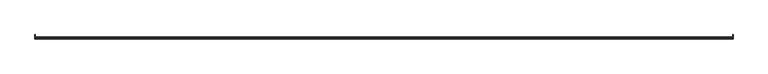
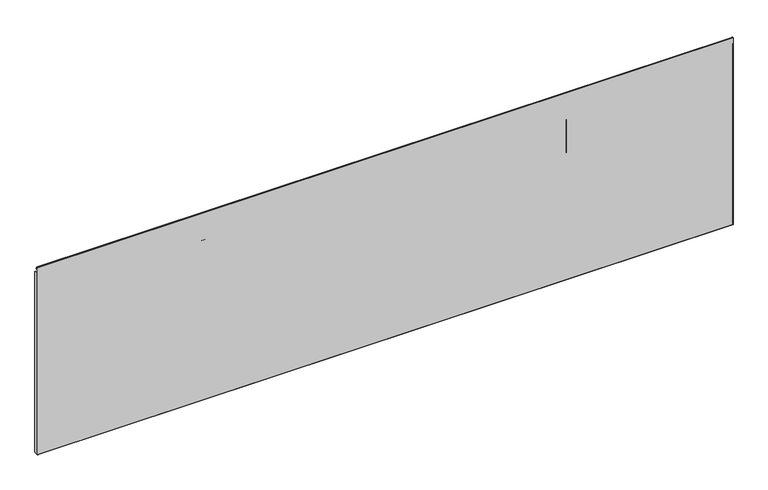
"""IFC4 building model written with IfcOpenShell, lengths in millimetres: furniture geometry."""

from ifc_helpers import new_model, si_unit, point, frame, frame_2d, origin, place, context, project, spatial, polyline, circle_curve, trimmed, segment, composite_curve, outline, extrude, source, transform, mapped, element, save


def furniture_8658d346(model_context):
    return source(origin(), model_context, "Body", "SweptSolid", [
        extrude(outline(polyline([(1005.5860745, 1.2721123), (1005.5860745, 2.5421123), (1079.7540764, 2.5421123), (1079.7540764, 1.2721123), (1005.5860745, 1.2721123)])), frame((0.0, 0.0, 411.5278968), z_axis=(0.0, 0.0, 1.0), x_axis=(1.0, 0.0, 0.0)), (0.0, 0.0, 1.0), 47.8027871),
        extrude(outline(polyline([(445.5161351, 1.2721123), (445.5161351, 2.5421123), (519.684137, 2.5421123), (519.684137, 1.2721123), (445.5161351, 1.2721123)])), frame((0.0, 0.0, 411.5278968), z_axis=(0.0, 0.0, 1.0), x_axis=(1.0, 0.0, 0.0)), (0.0, 0.0, 1.0), 47.8027871),
        extrude(outline(polyline([(1158.2400561, 1.2721123), (1158.2400561, 2.5421123), (1196.3400561, 2.5421123), (1196.3400561, 1.2721123), (1158.2400561, 1.2721123)])), frame((0.0, 0.0, 397.3293085), z_axis=(0.0, 0.0, 1.0), x_axis=(1.0, 0.0, 0.0)), (0.0, 0.0, 1.0), 76.2),
        extrude(outline(polyline([(328.9301554, 1.2721123), (328.9301554, 2.5421123), (367.0301554, 2.5421123), (367.0301554, 1.2721123), (328.9301554, 1.2721123)])), frame((0.0, 0.0, 397.3293085), z_axis=(0.0, 0.0, 1.0), x_axis=(1.0, 0.0, 0.0)), (0.0, 0.0, 1.0), 76.2),
        extrude(outline(composite_curve([segment(trimmed(circle_curve(frame_2d((8.4095119, 520.8810587)), 1.651), [point((8.4095119, 522.5320587))], [point((10.0605119, 520.8810587))], False, "CARTESIAN"), True, "CONTINUOUS"), segment(polyline([(10.0605119, 520.8810587), (10.0605119, 104.8366971)]), True, "CONTINUOUS"), segment(trimmed(circle_curve(frame_2d((8.4018919, 104.8366971)), 1.65862), [point((10.0605119, 104.8366971))], [point((8.4018919, 103.1780771))], False, "CARTESIAN"), True, "CONTINUOUS"), segment(polyline([(8.4018919, 103.1780771), (1.2721123, 103.1780771), (1.2721123, 522.5320587), (8.4095119, 522.5320587)]), True, "CONTINUOUS")], self_intersect=False)), frame((1522.6284097, 0.0, 0.0), z_axis=(1.0, 0.0, 0.0), x_axis=(0.0, 1.0, 0.0)), (0.0, 0.0, 1.0), 0.7366),
        extrude(outline(composite_curve([segment(trimmed(circle_curve(frame_2d((8.4095119, 520.8810587)), 1.651), [point((8.4095119, 522.5320587))], [point((10.0605119, 520.8810587))], False, "CARTESIAN"), True, "CONTINUOUS"), segment(polyline([(10.0605119, 520.8810587), (10.0605119, 104.8366971)]), True, "CONTINUOUS"), segment(trimmed(circle_curve(frame_2d((8.4018919, 104.8366971)), 1.65862), [point((10.0605119, 104.8366971))], [point((8.4018919, 103.1780771))], False, "CARTESIAN"), True, "CONTINUOUS"), segment(polyline([(8.4018919, 103.1780771), (1.2721123, 103.1780771), (1.2721123, 522.5320587), (8.4095119, 522.5320587)]), True, "CONTINUOUS")], self_intersect=False)), frame((0.6350928, 0.0, 0.0), z_axis=(1.0, 0.0, 0.0), x_axis=(0.0, 1.0, 0.0)), (0.0, 0.0, 1.0), 0.7365942),
        extrude(outline(composite_curve([segment(polyline([(5.2083792, 532.0391456), (4.5239572, 531.6440005), (2.0304576, 535.9628641)]), True, "CONTINUOUS"), segment(trimmed(circle_curve(frame_2d((1.6785084, 535.7596659)), 0.4063961), [point((2.0304576, 535.9628641))], [point((1.2721123, 535.7596659))], True, "CARTESIAN"), True, "CONTINUOUS"), segment(polyline([(1.2721123, 535.7596659), (1.2721123, 102.4414771), (0.5355123, 103.1780771), (0.5355123, 535.8670732), (1.3826821, 536.971112), (2.6683793, 536.4386227), (5.2083792, 532.0391456)]), True, "CONTINUOUS")], self_intersect=False)), frame((0.6350928, 0.0, 0.0), z_axis=(1.0, 0.0, 0.0), x_axis=(0.0, 1.0, 0.0)), (0.0, 0.0, 1.0), 1522.7299169),
    ])


if __name__ == "__main__":
    model = new_model("IFC4")
    model_context = context("Model", 3, world=origin())
    ifc_project = project(units=[si_unit("LENGTHUNIT", "METRE", prefix="MILLI")], contexts=[model_context])
    site = spatial("IfcSite", under=ifc_project)
    building = spatial("IfcBuilding", under=site)
    placement = place(None, origin())
    furniture_shape = furniture_8658d346(model_context)
    element("IfcFurniture", 1, at=placement, inside=building, context=model_context, shape_type="MappedRepresentation", body=[
        mapped(furniture_shape, transform((0.0, 0.0, 0.0), x_axis=(1.0, 0.0, 0.0), y_axis=(0.0, 1.0, 0.0), z_axis=(0.0, 0.0, 1.0))),
    ])
    save(model, "model.ifc")
